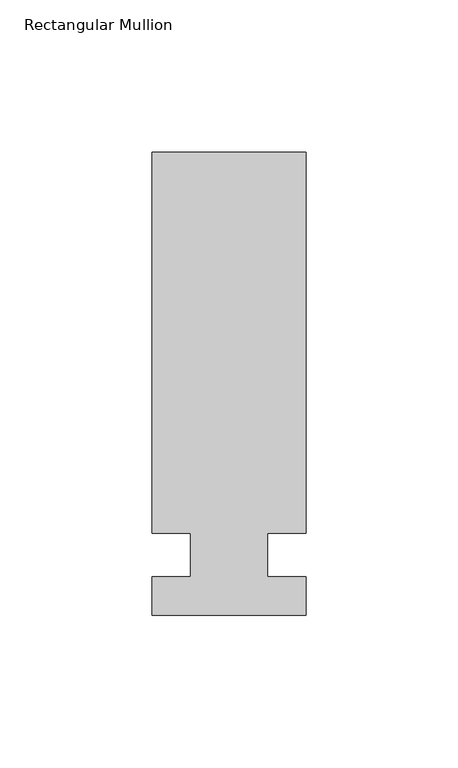
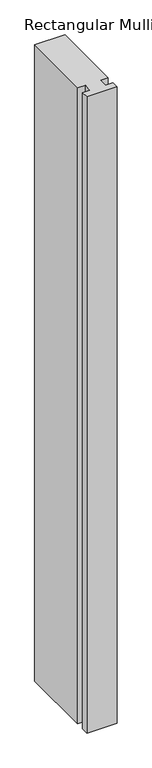
"""IFC4 building model written with IfcOpenShell, lengths in millimetres: member geometry, Rectangular Mullion."""

from ifc_helpers import new_model, si_unit, frame, origin, place, context, project, spatial, polyline, outline, extrude, source, transform, mapped, element, save


def rectangular_mullion_179f584c(model_context):
    return source(origin(), model_context, "Body", "SweptSolid", [
        extrude(outline(polyline([(29.7344027, 132.55625), (29.7344027, 7.14375), (17.0326322, 7.14375), (17.0326322, -7.14375), (29.7344027, -7.14375), (29.7344027, -19.84375), (-21.0655973, -19.84375), (-21.0655973, -7.14375), (-8.3655973, -7.14375), (-8.3655973, 7.14375), (-21.0655973, 7.14375), (-21.0655973, 132.55625), (29.7344027, 132.55625)])), frame((0.0, 0.0, -1130.3), z_axis=(0.0, 0.0, 1.0), x_axis=(1.0, 0.0, 0.0)), (0.0, 0.0, 1.0), 1130.3),
    ])


if __name__ == "__main__":
    model = new_model("IFC4")
    model_context = context("Model", 3, world=origin())
    ifc_project = project(units=[si_unit("LENGTHUNIT", "METRE", prefix="MILLI")], contexts=[model_context])
    site = spatial("IfcSite", under=ifc_project)
    building = spatial("IfcBuilding", under=site)
    placement = place(None, origin())
    rectangular_mullion_shape = rectangular_mullion_179f584c(model_context)
    element("IfcMember", 1, ObjectType="Rectangular Mullion", at=placement, inside=building, context=model_context, shape_type="MappedRepresentation", body=[
        mapped(rectangular_mullion_shape, transform((0.0, 0.0, 0.0), x_axis=(1.0, 0.0, 0.0), y_axis=(0.0, 1.0, 0.0), z_axis=(0.0, 0.0, 1.0))),
    ])
    save(model, "model.ifc")
